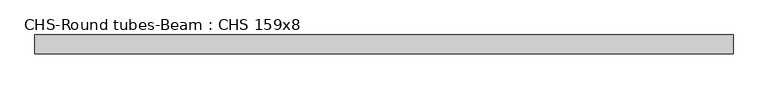
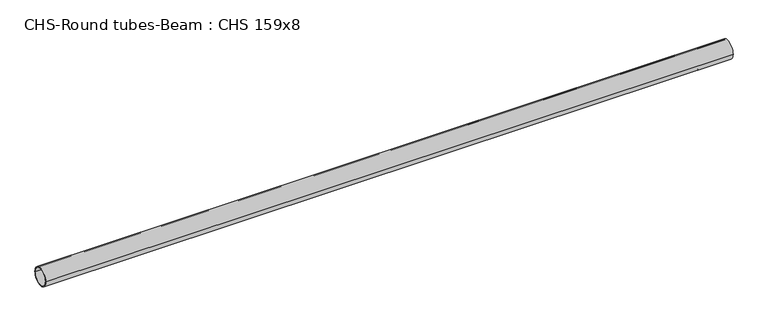
"""IFC4 building model written with IfcOpenShell, lengths in millimetres: beam geometry, CHS-Round tubes-Beam : CHS 159x8."""

from ifc_helpers import new_model, si_unit, point, frame, origin, origin_2d, place, context, project, spatial, circle_curve, trimmed, segment, composite_curve, outline, extrude, source, transform, mapped, element, save


def chs_round_tubes_beam_chs_159x8_1199d08b(model_context):
    return source(origin(), model_context, "Body", "SweptSolid", [
        extrude(outline(composite_curve([segment(trimmed(circle_curve(origin_2d(), 79.5), [point((79.5, 0.0))], [point((-79.5, 0.0))], False, "CARTESIAN"), True, "CONTINUOUS"), segment(trimmed(circle_curve(origin_2d(), 79.5), [point((-79.5, 0.0))], [point((79.5, 0.0))], False, "CARTESIAN"), True, "CONTINUOUS")], self_intersect=False), holes=[composite_curve([segment(trimmed(circle_curve(origin_2d(), 71.5), [point((71.5, 0.0))], [point((-71.5, 0.0))], True, "CARTESIAN"), True, "CONTINUOUS"), segment(trimmed(circle_curve(origin_2d(), 71.5), [point((-71.5, 0.0))], [point((71.5, 0.0))], True, "CARTESIAN"), True, "CONTINUOUS")], self_intersect=False)]), frame((-2942.1994272, 0.0, 0.0), z_axis=(1.0, 0.0, 0.0), x_axis=(0.0, 1.0, 0.0)), (0.0, 0.0, 1.0), 5884.3988544),
    ])


if __name__ == "__main__":
    model = new_model("IFC4")
    model_context = context("Model", 3, world=origin())
    ifc_project = project(units=[si_unit("LENGTHUNIT", "METRE", prefix="MILLI")], contexts=[model_context])
    site = spatial("IfcSite", under=ifc_project)
    building = spatial("IfcBuilding", under=site)
    placement = place(None, origin())
    chs_round_tubes_beam_chs_159x8_shape = chs_round_tubes_beam_chs_159x8_1199d08b(model_context)
    element("IfcBeam", 1, ObjectType="CHS-Round tubes-Beam : CHS 159x8", at=placement, inside=building, context=model_context, shape_type="MappedRepresentation", body=[
        mapped(chs_round_tubes_beam_chs_159x8_shape, transform((0.0, 0.0, 0.0), x_axis=(1.0, 0.0, 0.0), y_axis=(0.0, 1.0, 0.0), z_axis=(0.0, 0.0, 1.0))),
    ])
    save(model, "model.ifc")
